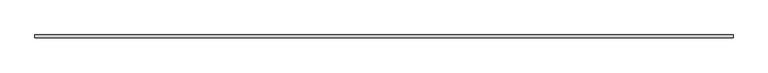
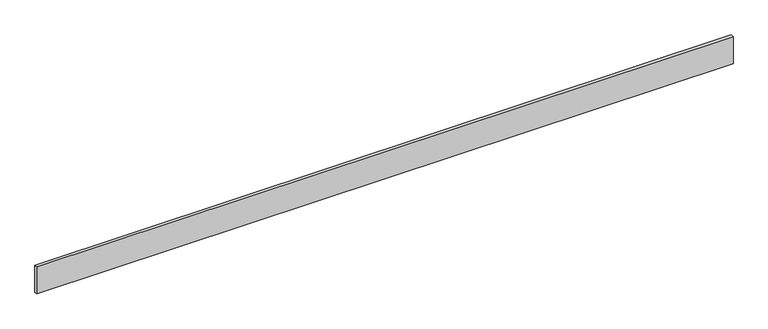
"""IFC4 building model written with IfcOpenShell, lengths in millimetres: furniture geometry."""

from ifc_helpers import new_model, si_unit, origin, origin_with_axes, place, context, project, spatial, polyline, outline, extrude, source, transform, mapped, element, save


def furniture_9ddce797(model_context):
    return source(origin(), model_context, "Body", "SweptSolid", [
        extrude(outline(polyline([(0.0, 0.0), (0.0, 10.0), (2438.9792462, 10.0), (2438.9792462, 0.0), (0.0, 0.0)])), origin_with_axes(), (0.0, 0.0, 1.0), 100.0),
    ])


if __name__ == "__main__":
    model = new_model("IFC4")
    model_context = context("Model", 3, world=origin())
    ifc_project = project(units=[si_unit("LENGTHUNIT", "METRE", prefix="MILLI")], contexts=[model_context])
    site = spatial("IfcSite", under=ifc_project)
    building = spatial("IfcBuilding", under=site)
    placement = place(None, origin())
    furniture_shape = furniture_9ddce797(model_context)
    element("IfcFurniture", 1, at=placement, inside=building, context=model_context, shape_type="MappedRepresentation", body=[
        mapped(furniture_shape, transform((0.0, 0.0, 0.0), x_axis=(1.0, 0.0, 0.0), y_axis=(0.0, 1.0, 0.0), z_axis=(0.0, 0.0, 1.0))),
    ])
    save(model, "model.ifc")
